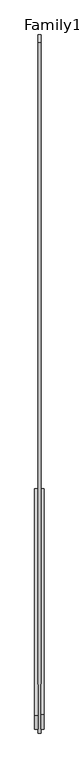
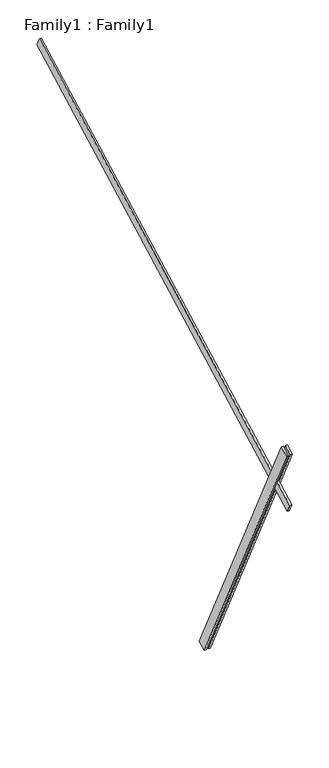
"""IFC4 building model written with IfcOpenShell, lengths in millimetres: proxy geometry, Family1 : Family1."""

from ifc_helpers import new_model, si_unit, frame, origin, place, context, project, spatial, polyline, outline, extrude, source, transform, mapped, element, save


def family1_family1_fd4f47f7(model_context):
    return source(origin(), model_context, "Body", "SweptSolid", [
        extrude(outline(polyline([(0.0, 0.0), (-100.0000001, 0.0), (-100.0000001, 20.0), (0.0, 20.0), (0.0, 0.0)])), frame((-30.0, -46.3241747, -22.5938096), z_axis=(0.0, -0.4383711467890692, 0.8987940462991711), x_axis=(0.0, -0.8987940462991711, -0.4383711467890692)), (0.0, 0.0, 1.0), 3300.0),
        extrude(outline(polyline([(0.0, 0.0), (-99.9999999, 0.0), (-99.9999999, 20.0), (0.0, 20.0), (0.0, 0.0)])), frame((10.0, -45.270232, -22.0797674), z_axis=(0.0, -0.4383711467890692, 0.8987940462991711), x_axis=(0.0, -0.8987940462991711, -0.4383711467890692)), (0.0, 0.0, 1.0), 3300.0),
        extrude(outline(polyline([(0.0, 20.0), (5000.0, 20.0), (5000.0, 0.0), (0.0, 0.0), (0.0, 20.0)])), frame((-10.0, 2944.3538918, 4678.1765668), z_axis=(0.0, -0.46947156278589286, 0.882947592858926), x_axis=(0.0, -0.882947592858926, -0.46947156278589286)), (0.0, 0.0, 1.0), 100.0),
    ])


if __name__ == "__main__":
    model = new_model("IFC4")
    model_context = context("Model", 3, world=origin())
    ifc_project = project(units=[si_unit("LENGTHUNIT", "METRE", prefix="MILLI")], contexts=[model_context])
    site = spatial("IfcSite", under=ifc_project)
    building = spatial("IfcBuilding", under=site)
    placement = place(None, origin())
    family1_family1_shape = family1_family1_fd4f47f7(model_context)
    element("IfcBuildingElementProxy", 1, Name="Family1 : Family1", ObjectType="Family1 : Family1", at=placement, inside=building, context=model_context, shape_type="MappedRepresentation", body=[
        mapped(family1_family1_shape, transform((0.0, 0.0, 0.0), x_axis=(1.0, 0.0, 0.0), y_axis=(0.0, 1.0, 0.0), z_axis=(0.0, 0.0, 1.0))),
    ])
    save(model, "model.ifc")
